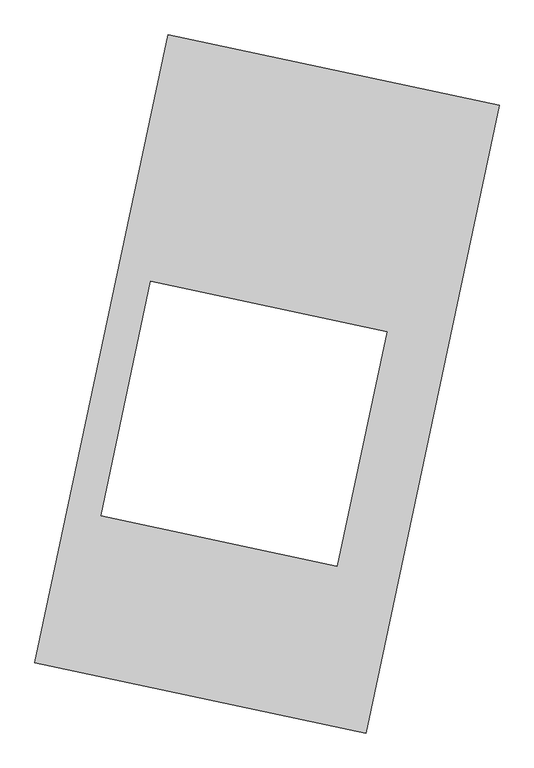
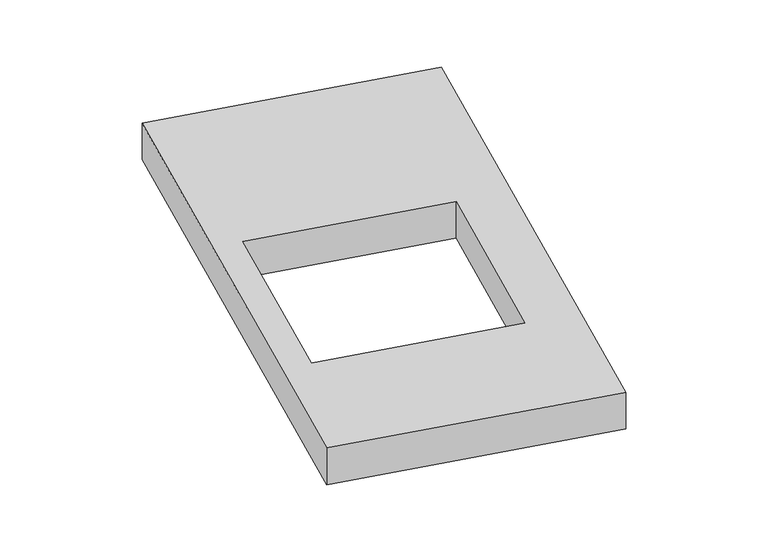
"""IFC4 building model written with IfcOpenShell, lengths in millimetres: proxy geometry."""

from ifc_helpers import new_model, si_unit, origin, origin_with_axes, place, context, project, spatial, polyline, outline, extrude, source, transform, mapped, element, save


def generic_models_9a4496b6(model_context):
    return source(origin(), model_context, "Body", "SweptSolid", [
        extrude(outline(polyline([(-617.3692021, 2175.5580432), (1447.7508745, 1737.3010494), (617.3692021, -2175.5580432), (-1447.7508745, -1737.3010494), (-617.3692021, 2175.5580432)]), holes=[polyline([(747.082897, 326.2561), (-725.8458544, 638.8390504), (-1035.8278161, -821.8335266), (437.1009353, -1134.4164771), (747.082897, 326.2561)])]), origin_with_axes(), (0.0, 0.0, 1.0), 300.0),
    ])


if __name__ == "__main__":
    model = new_model("IFC4")
    model_context = context("Model", 3, world=origin())
    ifc_project = project(units=[si_unit("LENGTHUNIT", "METRE", prefix="MILLI")], contexts=[model_context])
    site = spatial("IfcSite", under=ifc_project)
    building = spatial("IfcBuilding", under=site)
    placement = place(None, origin())
    generic_models_shape = generic_models_9a4496b6(model_context)
    element("IfcBuildingElementProxy", 1, Name="Generic Models", at=placement, inside=building, context=model_context, shape_type="MappedRepresentation", body=[
        mapped(generic_models_shape, transform((0.0, 0.0, 0.0), x_axis=(1.0, 0.0, 0.0), y_axis=(0.0, 1.0, 0.0), z_axis=(0.0, 0.0, 1.0))),
    ])
    save(model, "model.ifc")
